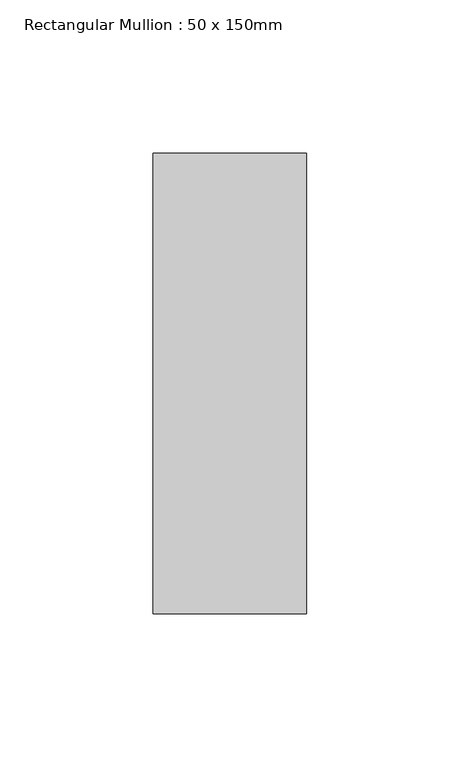
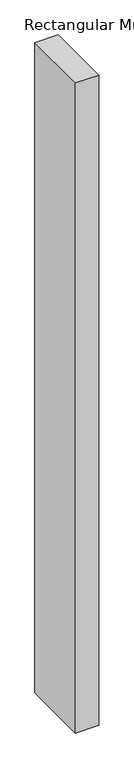
"""IFC4 building model written with IfcOpenShell, lengths in millimetres: member geometry, Rectangular Mullion : 50 x 150mm."""

from ifc_helpers import new_model, si_unit, frame, origin, place, context, project, spatial, polyline, outline, extrude, source, transform, mapped, element, save


def rectangular_mullion_50_x_150mm_afd900cb(model_context):
    return source(origin(), model_context, "Body", "SweptSolid", [
        extrude(outline(polyline([(25.0, 75.0), (25.0, -75.0), (-25.0, -75.0), (-25.0, 75.0), (25.0, 75.0)])), frame((0.0, 0.0, -1472.1963877), z_axis=(0.0, 0.0, 1.0), x_axis=(1.0, 0.0, 0.0)), (0.0, 0.0, 1.0), 1472.1963877),
    ])


if __name__ == "__main__":
    model = new_model("IFC4")
    model_context = context("Model", 3, world=origin())
    ifc_project = project(units=[si_unit("LENGTHUNIT", "METRE", prefix="MILLI")], contexts=[model_context])
    site = spatial("IfcSite", under=ifc_project)
    building = spatial("IfcBuilding", under=site)
    placement = place(None, origin())
    rectangular_mullion_50_x_150mm_shape = rectangular_mullion_50_x_150mm_afd900cb(model_context)
    element("IfcMember", 1, ObjectType="Rectangular Mullion : 50 x 150mm", at=placement, inside=building, context=model_context, shape_type="MappedRepresentation", body=[
        mapped(rectangular_mullion_50_x_150mm_shape, transform((0.0, 0.0, 0.0), x_axis=(1.0, 0.0, 0.0), y_axis=(0.0, 1.0, 0.0), z_axis=(0.0, 0.0, 1.0))),
    ])
    save(model, "model.ifc")
